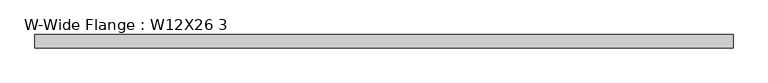
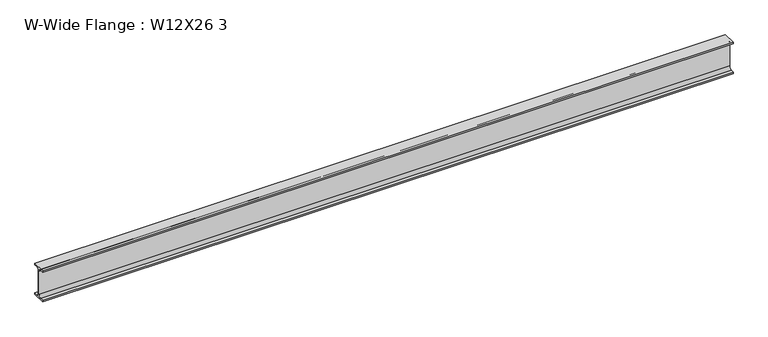
"""IFC4 building model written with IfcOpenShell, lengths in millimetres: beam geometry, W-Wide Flange : W12X26 3."""

from ifc_helpers import new_model, si_unit, point, frame, frame_2d, origin, place, context, project, spatial, polyline, circle_curve, trimmed, segment, composite_curve, outline, extrude, source, transform, mapped, element, save


def w_wide_flange_w12x26_3_00c24f8a(model_context):
    return source(origin(), model_context, "Body", "SweptSolid", [
        extrude(outline(composite_curve([segment(polyline([(40.0, -90.3757813), (40.0, -100.0), (-40.0, -100.0), (-40.0, -90.3757813), (-20.2902344, -90.3757813)]), True, "CONTINUOUS"), segment(trimmed(circle_curve(frame_2d((-20.2902344, -73.0125)), 17.3632813), [point((-20.2902344, -90.3757813))], [point((-2.9269531, -73.0125))], True, "CARTESIAN"), True, "CONTINUOUS"), segment(polyline([(-2.9269531, -73.0125), (-2.9269531, 73.0125)]), True, "CONTINUOUS"), segment(trimmed(circle_curve(frame_2d((-20.2902344, 73.0125)), 17.3632812), [point((-2.9269531, 73.0125))], [point((-20.2902344, 90.3757812))], True, "CARTESIAN"), True, "CONTINUOUS"), segment(polyline([(-20.2902344, 90.3757812), (-40.0, 90.3757812), (-40.0, 100.0), (40.0, 100.0), (40.0, 90.3757812), (20.2902344, 90.3757812)]), True, "CONTINUOUS"), segment(trimmed(circle_curve(frame_2d((20.2902344, 73.0125)), 17.3632812), [point((20.2902344, 90.3757812))], [point((2.9269531, 73.0125))], True, "CARTESIAN"), True, "CONTINUOUS"), segment(polyline([(2.9269531, 73.0125), (2.9269531, -73.0125)]), True, "CONTINUOUS"), segment(trimmed(circle_curve(frame_2d((20.2902344, -73.0125)), 17.3632812), [point((2.9269531, -73.0125))], [point((20.2902344, -90.3757813))], True, "CARTESIAN"), True, "CONTINUOUS"), segment(polyline([(20.2902344, -90.3757813), (40.0, -90.3757813)]), True, "CONTINUOUS")], self_intersect=False)), frame((-1985.7365573, 0.0, 0.0), z_axis=(1.0, 0.0, 0.0), x_axis=(0.0, 1.0, 0.0)), (0.0, 0.0, 1.0), 4192.105527),
    ])


if __name__ == "__main__":
    model = new_model("IFC4")
    model_context = context("Model", 3, world=origin())
    ifc_project = project(units=[si_unit("LENGTHUNIT", "METRE", prefix="MILLI")], contexts=[model_context])
    site = spatial("IfcSite", under=ifc_project)
    building = spatial("IfcBuilding", under=site)
    placement = place(None, origin())
    w_wide_flange_w12x26_3_shape = w_wide_flange_w12x26_3_00c24f8a(model_context)
    element("IfcBeam", 1, ObjectType="W-Wide Flange : W12X26 3", at=placement, inside=building, context=model_context, shape_type="MappedRepresentation", body=[
        mapped(w_wide_flange_w12x26_3_shape, transform((0.0, 0.0, 0.0), x_axis=(1.0, 0.0, 0.0), y_axis=(0.0, 1.0, 0.0), z_axis=(0.0, 0.0, 1.0))),
    ])
    save(model, "model.ifc")
